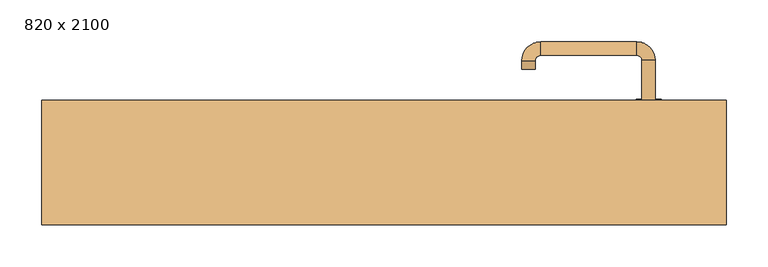
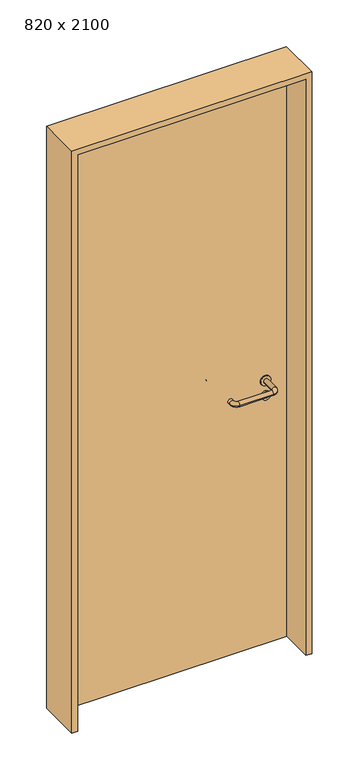
"""IFC4 building model written with IfcOpenShell, lengths in millimetres: door geometry, 820 x 2100."""

import ifcopenshell
import ifcopenshell.guid

model = None  # the IFC model being written
_history = None  # IfcOwnerHistory: only IFC2X3 demands one
_inside = {}  # id of a spatial element -> (the spatial element, [elements in it])
_under = {}  # id of a project, library or spatial element -> (it, [spatial elements below it])
_declared = {}  # id of a project -> (the project, [libraries it declares])
_typed = {}  # id of a type object -> (the type object, [elements of that type])
_made_of = {}  # id of a material, layer set ... -> (it, [elements and type objects made of it])


def new_model(schema):
    """Start an empty IFC model of exactly this schema.

    Asked for "IFC4X3", IfcOpenShell would pick the latest addendum, in which some entities
    have other attributes; the version numbers below select the first issue.
    IFC2X3 requires an IfcOwnerHistory on every rooted entity: one is made here for all.
    """
    global model, _history
    if schema == "IFC4X3":
        model = ifcopenshell.file(schema_version=(4, 3, 0, 0))
    else:
        model = ifcopenshell.file(schema=schema)
    _inside.clear()
    _under.clear()
    _declared.clear()
    _typed.clear()
    _made_of.clear()
    _history = None
    if model.schema == "IFC2X3":
        org = make("IfcOrganization", Name="unknown")
        user = make(
            "IfcPersonAndOrganization",
            ThePerson=make("IfcPerson", FamilyName="unknown"),
            TheOrganization=org,
        )
        app = make(
            "IfcApplication",
            ApplicationDeveloper=org,
            Version="unknown",
            ApplicationFullName="unknown",
            ApplicationIdentifier="unknown",
        )
        _history = make(
            "IfcOwnerHistory",
            OwningUser=user,
            OwningApplication=app,
            ChangeAction="ADDED",
            CreationDate=0,
        )
    return model


def make(cls, **values):
    """One entity of the class cls with the attributes given. An attribute that is None is left unset."""
    return model.create_entity(
        cls, **{name: value for name, value in values.items() if value is not None}
    )


def rooted(cls, **values):
    """An entity with a GlobalId (a new one), such as an element, a storey or a relation."""
    return make(cls, GlobalId=ifcopenshell.guid.new(), OwnerHistory=_history, **values)


def si_unit(unit_type, name, prefix=None):
    """IfcSIUnit, for example si_unit("LENGTHUNIT", "METRE", prefix="MILLI")."""
    return make("IfcSIUnit", UnitType=unit_type, Prefix=prefix, Name=name)


def assignment(units):
    """IfcUnitAssignment: the units of a project."""
    return None if units is None else make("IfcUnitAssignment", Units=units)


def point(xyz):
    """IfcCartesianPoint."""
    return None if xyz is None else make("IfcCartesianPoint", Coordinates=xyz)


def direction(xyz):
    """IfcDirection."""
    return None if xyz is None else make("IfcDirection", DirectionRatios=xyz)


def frame(location, z_axis=None, x_axis=None):
    """IfcAxis2Placement3D, a coordinate frame: its origin and axes. An axis left out is left unset."""
    return make(
        "IfcAxis2Placement3D",
        Location=point(location),
        Axis=direction(z_axis),
        RefDirection=direction(x_axis),
    )


def frame_2d(location, x_axis=None):
    """IfcAxis2Placement2D, a coordinate frame in the plane: its origin and x axis."""
    return make(
        "IfcAxis2Placement2D", Location=point(location), RefDirection=direction(x_axis)
    )


def origin():
    """The frame at (0, 0, 0) with its axes left unset."""
    return frame((0.0, 0.0, 0.0))


def origin_with_axes():
    """The frame at (0, 0, 0) with the z axis (0, 0, 1) and the x axis (1, 0, 0) written out."""
    return frame((0.0, 0.0, 0.0), z_axis=(0.0, 0.0, 1.0), x_axis=(1.0, 0.0, 0.0))


def place(relative_to, where):
    """IfcLocalPlacement: puts the frame where relative to a parent placement (None: the world)."""
    return make(
        "IfcLocalPlacement", PlacementRelTo=relative_to, RelativePlacement=where
    )


def context(
    kind, dimensions, precision=None, world=None, true_north=None, identifier=None
):
    """IfcGeometricRepresentationContext, for example the 3D "Model" context."""
    return make(
        "IfcGeometricRepresentationContext",
        ContextIdentifier=identifier,
        ContextType=kind,
        CoordinateSpaceDimension=dimensions,
        Precision=precision,
        WorldCoordinateSystem=world,
        TrueNorth=true_north,
    )


def project(units=None, contexts=None):
    """IfcProject with its units and contexts."""
    return rooted(
        "IfcProject",
        Name="project",
        RepresentationContexts=contexts,
        UnitsInContext=assignment(units),
    )


def spatial(cls, under=None, at=None, **own):
    """A site, building, storey or space (cls), placed at a placement, below another one or the project."""
    s = rooted(cls, ObjectPlacement=at, **own)
    if under is not None:
        _under.setdefault(under.id(), (under, []))[1].append(s)
    return s


def polyline(points):
    """IfcPolyline through the points."""
    return make("IfcPolyline", Points=[point(p) for p in points])


def circle_curve(where, radius):
    """IfcCircle in the frame where."""
    return make("IfcCircle", Position=where, Radius=radius)


def ellipse_curve(where, semi_axis1, semi_axis2):
    """IfcEllipse in the frame where."""
    return make(
        "IfcEllipse", Position=where, SemiAxis1=semi_axis1, SemiAxis2=semi_axis2
    )


def trimmed(basis, trim1, trim2, sense, master):
    """IfcTrimmedCurve: the piece of a basis curve between two trims."""
    return make(
        "IfcTrimmedCurve",
        BasisCurve=basis,
        Trim1=trim1,
        Trim2=trim2,
        SenseAgreement=sense,
        MasterRepresentation=master,
    )


def segment(curve, same_sense, transition):
    """IfcCompositeCurveSegment."""
    return make(
        "IfcCompositeCurveSegment",
        Transition=transition,
        SameSense=same_sense,
        ParentCurve=curve,
    )


def composite_curve(segments, self_intersect=None):
    """IfcCompositeCurve: segments joined end to end."""
    return make("IfcCompositeCurve", Segments=segments, SelfIntersect=self_intersect)


def outline(outer, holes=None, kind="AREA"):
    """IfcArbitraryClosedProfileDef: a profile drawn as a closed curve; with holes, ...WithVoids."""
    if holes is None:
        return make("IfcArbitraryClosedProfileDef", ProfileType=kind, OuterCurve=outer)
    return make(
        "IfcArbitraryProfileDefWithVoids",
        ProfileType=kind,
        OuterCurve=outer,
        InnerCurves=holes,
    )


def extrude(swept, where, along, depth):
    """IfcExtrudedAreaSolid: the profile swept, set in the frame where, extruded along a direction by depth."""
    return make(
        "IfcExtrudedAreaSolid",
        SweptArea=swept,
        Position=where,
        ExtrudedDirection=direction(along),
        Depth=depth,
    )


def shape(context_of_items, identifier, shape_type, items):
    """IfcShapeRepresentation: the items that make up one representation, for example the "Body"."""
    return make(
        "IfcShapeRepresentation",
        ContextOfItems=context_of_items,
        RepresentationIdentifier=identifier,
        RepresentationType=shape_type,
        Items=items,
    )


def source(mapping_origin, context_of_items, identifier, shape_type, items):
    """IfcRepresentationMap: a shape defined once, which mapped items show again and again."""
    return make(
        "IfcRepresentationMap",
        MappingOrigin=mapping_origin,
        MappedRepresentation=shape(context_of_items, identifier, shape_type, items),
    )


def transform(
    local_origin,
    x_axis=None,
    y_axis=None,
    z_axis=None,
    scale=None,
    scale2=None,
    scale3=None,
    uniform=True,
):
    """IfcCartesianTransformationOperator3D, or its non-uniform kind. x_axis, y_axis, z_axis: its Axis1, 2, 3."""
    if uniform:
        return make(
            "IfcCartesianTransformationOperator3D",
            Axis1=direction(x_axis),
            Axis2=direction(y_axis),
            LocalOrigin=point(local_origin),
            Scale=scale,
            Axis3=direction(z_axis),
        )
    return make(
        "IfcCartesianTransformationOperator3DnonUniform",
        Axis1=direction(x_axis),
        Axis2=direction(y_axis),
        LocalOrigin=point(local_origin),
        Scale=scale,
        Axis3=direction(z_axis),
        Scale2=scale2,
        Scale3=scale3,
    )


def mapped(mapping_source, mapping_target):
    """IfcMappedItem: shows the shape of a source again, moved by a transform."""
    return make(
        "IfcMappedItem", MappingSource=mapping_source, MappingTarget=mapping_target
    )


def made_of(thing, what):
    """Note that an element or type object is made of a material, layer set ...; save() writes the relation."""
    if what is not None:
        _made_of.setdefault(what.id(), (what, []))[1].append(thing)
    return thing


def element(
    cls,
    number,
    at=None,
    inside=None,
    cuts=None,
    type_object=None,
    material=None,
    context=None,
    identifier="Body",
    shape_type=None,
    held_by="IfcProductDefinitionShape",
    body=None,
    shapes=None,
    **own,
):
    """One element of the class cls, such as IfcWall. Its Tag is "e" and its number.

    at: its placement. inside: the storey or other place that contains it. cuts: it is an
    opening in that element (IfcRelVoidsElement). A single representation is given by context,
    identifier, shape_type and body (its items); several are given by shapes. held_by: the class
    of the entity that holds the representations. save() writes the other relations.
    """
    e = rooted(cls, Tag="e%d" % number, ObjectPlacement=at, **own)
    if body is not None:
        shapes = [shape(context, identifier, shape_type, body)]
    if shapes is not None:
        e.Representation = make(held_by, Representations=shapes)
    if inside is not None:
        _inside.setdefault(inside.id(), (inside, []))[1].append(e)
    if cuts is not None:
        rooted(
            "IfcRelVoidsElement", RelatingBuildingElement=cuts, RelatedOpeningElement=e
        )
    if type_object is not None:
        _typed.setdefault(type_object.id(), (type_object, []))[1].append(e)
    return made_of(e, material)


def aggregate(whole, parts):
    """IfcRelAggregates: a whole, such as a stair, and the parts it consists of."""
    return rooted("IfcRelAggregates", RelatingObject=whole, RelatedObjects=parts)


def save(model, path):
    """Write the relations noted so far, then the file.

    IfcRelAggregates (storeys below a building ...), IfcRelContainedInSpatialStructure (elements
    in a storey), IfcRelDefinesByType, IfcRelAssociatesMaterial and IfcRelDeclares: one each for
    every whole, place, type object, material and project.
    """
    for whole, parts in _under.values():
        aggregate(whole, parts)
    for where, things in _inside.values():
        rooted(
            "IfcRelContainedInSpatialStructure",
            RelatedElements=things,
            RelatingStructure=where,
        )
    for kind, things in _typed.values():
        rooted("IfcRelDefinesByType", RelatedObjects=things, RelatingType=kind)
    for what, things in _made_of.values():
        rooted("IfcRelAssociatesMaterial", RelatedObjects=things, RelatingMaterial=what)
    for by, libraries in _declared.values():
        rooted("IfcRelDeclares", RelatingContext=by, RelatedDefinitions=libraries)
    model.write(path)


def plane_surface(at):
    """IfcPlane: the flat surface through the origin of the frame at, square to its z axis."""
    return make("IfcPlane", Position=at)


def cylinder_surface(at, radius):
    """IfcCylindricalSurface: all points at the distance radius from the z axis of the frame at."""
    return make("IfcCylindricalSurface", Position=at, Radius=radius)


def revolved_surface(curve, axis_point, axis_direction):
    """IfcSurfaceOfRevolution: the curve turned about the line through axis_point along axis_direction."""
    return make(
        "IfcSurfaceOfRevolution",
        SweptCurve=make("IfcArbitraryOpenProfileDef", ProfileType="CURVE", Curve=curve),
        AxisPosition=make("IfcAxis1Placement", Location=point(axis_point), Axis=direction(axis_direction)),
    )


def advanced_brep(points, edges, surfaces, faces):
    """IfcAdvancedBrep: a solid bounded by faces that lie on surfaces and meet in shared edges.

    An edge is (start, end): straight between two places in points (the first is 0);
    or (start, end, curve); or (start, end, curve, False) where it runs against its curve.
    A face is (place in surfaces, loops), or (place, loops, False) where it looks against
    its surface's normal. A loop lists edges by number (the first is 1), with a minus sign
    where the edge is run from its end to its start. The first loop is the outer one.
    """
    corners = [point(p) for p in points]
    vertices = [make("IfcVertexPoint", VertexGeometry=c) for c in corners]
    made = []
    for start, end, *more in edges:
        made.append(
            make(
                "IfcEdgeCurve",
                EdgeStart=vertices[start],
                EdgeEnd=vertices[end],
                EdgeGeometry=more[0] if more else make("IfcPolyline", Points=[corners[start], corners[end]]),
                SameSense=more[1] if len(more) > 1 else True,
            )
        )
    hull = []
    for where, loops, *sense in faces:
        bounds = []
        for j, loop in enumerate(loops):
            ring = [make("IfcOrientedEdge", EdgeElement=made[abs(k) - 1], Orientation=k > 0) for k in loop]
            bounds.append(
                make(
                    "IfcFaceOuterBound" if j == 0 else "IfcFaceBound",
                    Bound=make("IfcEdgeLoop", EdgeList=ring),
                    Orientation=True,
                )
            )
        hull.append(make("IfcAdvancedFace", Bounds=bounds, FaceSurface=surfaces[where], SameSense=sense[0] if sense else True))
    return make("IfcAdvancedBrep", Outer=make("IfcClosedShell", CfsFaces=hull))


def door_820_x_2100_24ca90b3(model_context):
    return source(origin(), model_context, "Body", "SolidModel", [
        extrude(outline(composite_curve([segment(trimmed(circle_curve(frame_2d((897.3605726, 317.0)), 15.0), [point((897.3605726, 332.0))], [point((897.3605726, 302.0))], False, "CARTESIAN"), True, "CONTINUOUS"), segment(trimmed(circle_curve(frame_2d((897.3605726, 317.0)), 15.0), [point((897.3605726, 302.0))], [point((897.3605726, 332.0))], False, "CARTESIAN"), True, "CONTINUOUS")], self_intersect=False), holes=[composite_curve([segment(trimmed(circle_curve(frame_2d((892.5833211, 316.9398032)), 2.0), [point((892.5833211, 318.9398032))], [point((892.5833211, 314.9398032))], True, "CARTESIAN"), True, "CONTINUOUS"), segment(polyline([(892.5833211, 314.9398032), (902.5833211, 314.9398032)]), True, "CONTINUOUS"), segment(trimmed(circle_curve(frame_2d((902.5833211, 316.9398032)), 2.0), [point((902.5833211, 314.9398032))], [point((902.5833211, 318.9398032))], True, "CARTESIAN"), True, "CONTINUOUS"), segment(polyline([(902.5833211, 318.9398032), (892.5833211, 318.9398032)]), True, "CONTINUOUS")], self_intersect=False)]), frame((0.0, 33.65, 0.0), z_axis=(0.0, 1.0, 0.0), x_axis=(0.0, 0.0, 1.0)), (0.0, 0.0, 1.0), 6.35),
        extrude(outline(composite_curve([segment(trimmed(circle_curve(frame_2d((950.0, 317.0)), 17.526), [point((950.0, 334.526))], [point((950.0, 299.474))], False, "CARTESIAN"), True, "CONTINUOUS"), segment(trimmed(circle_curve(frame_2d((950.0, 317.0)), 17.526), [point((950.0, 299.474))], [point((950.0, 334.526))], False, "CARTESIAN"), True, "CONTINUOUS")], self_intersect=False)), frame((0.0, 36.825, 0.0), z_axis=(0.0, 1.0, 0.0), x_axis=(0.0, 0.0, 1.0)), (0.0, 0.0, 1.0), 3.175),
        advanced_brep(
        [(325.0, 40.0, 950.0), (309.0, 40.0, 950.0), (309.0, -13.0, 950.0), (325.0, -13.0, 950.0), (302.8578644, -19.1421356, 950.0), (302.8578644, -35.1421356, 950.0), (187.8578644, -19.1421356, 950.0), (187.8578644, -35.1421356, 950.0), (181.008622, -12.2928932, 950.0), (165.008622, -12.2928932, 950.0), (165.008622, -2.2928932, 950.0), (181.008622, -2.2928932, 950.0)],
        [
            (0, 1, circle_curve(frame((317.0, 40.0, 950.0), z_axis=(0.0, 1.0, 0.0), x_axis=(-1.0, 0.0, 0.0)), 8.0)),
            (1, 0, circle_curve(frame((317.0, 40.0, 950.0), z_axis=(0.0, 1.0, 0.0), x_axis=(-1.0, 0.0, 0.0)), 8.0)),
            (1, 2),
            (2, 3, circle_curve(frame((317.0, -13.0, 950.0), z_axis=(0.0, 1.0, 0.0), x_axis=(-1.0, 0.0, 0.0)), 8.0)),
            (3, 0),
            (3, 2, circle_curve(frame((317.0, -13.0, 950.0), z_axis=(0.0, 1.0, 0.0), x_axis=(-1.0, 0.0, 0.0)), 8.0)),
            (4, 5, circle_curve(frame((302.8578644, -27.1421356, 950.0), z_axis=(1.0, 0.0, 0.0), x_axis=(0.0, 1.0, 0.0)), 8.0)),
            (5, 3, circle_curve(frame((302.8578644, -13.0, 950.0), z_axis=(0.0, 0.0, 1.0), x_axis=(1.0, 0.0, 0.0)), 22.1421356)),
            (2, 4, circle_curve(frame((302.8578644, -13.0, 950.0), z_axis=(0.0, 0.0, -1.0), x_axis=(1.0, 0.0, 0.0)), 6.1421356)),
            (5, 4, circle_curve(frame((302.8578644, -27.1421356, 950.0), z_axis=(1.0, 0.0, 0.0), x_axis=(0.0, 1.0, 0.0)), 8.0)),
            (4, 6),
            (6, 7, circle_curve(frame((187.8578644, -27.1421356, 950.0), z_axis=(1.0, 0.0, 0.0), x_axis=(0.0, 1.0, 0.0)), 8.0)),
            (7, 5),
            (7, 6, circle_curve(frame((187.8578644, -27.1421356, 950.0), z_axis=(1.0, 0.0, 0.0), x_axis=(0.0, 1.0, 0.0)), 8.0)),
            (8, 9, circle_curve(frame((173.008622, -12.2928932, 950.0), z_axis=(0.0, -1.0, 0.0), x_axis=(1.0, 0.0, 0.0)), 8.0)),
            (9, 7, circle_curve(frame((187.8578644, -12.2928932, 950.0), z_axis=(0.0, 0.0, 1.0), x_axis=(0.0, -1.0, 0.0)), 22.8492424)),
            (6, 8, circle_curve(frame((187.8578644, -12.2928932, 950.0), z_axis=(0.0, 0.0, -1.0), x_axis=(0.0, -1.0, 0.0)), 6.8492424)),
            (9, 8, circle_curve(frame((173.008622, -12.2928932, 950.0), z_axis=(0.0, -1.0, 0.0), x_axis=(1.0, 0.0, 0.0)), 8.0)),
            (10, 11, circle_curve(frame((173.008622, -2.2928932, 950.0), z_axis=(0.0, 1.0, 0.0), x_axis=(1.0, 0.0, 0.0)), 8.0)),
            (11, 10, circle_curve(frame((173.008622, -2.2928932, 950.0), z_axis=(0.0, 1.0, 0.0), x_axis=(1.0, 0.0, 0.0)), 8.0)),
            (8, 11),
            (10, 9),
        ],
        [
            plane_surface(frame((317.0, 40.0, 0.0), z_axis=(0.0, 1.0, 0.0), x_axis=(0.0, 0.0, 1.0))),
            cylinder_surface(frame((317.0, 40.0, 950.0), z_axis=(0.0, 1.0, 0.0), x_axis=(-1.0, 0.0, 0.0)), 8.0),
            revolved_surface(trimmed(ellipse_curve(frame((317.0, -13.0, 950.0), z_axis=(0.0, -1.0, 0.0), x_axis=(-1.0, 0.0, 0.0)), 8.0, 8.0), [point((325.0, -13.0, 950.0))], [point((309.0, -13.0, 950.0))], True, "CARTESIAN"), (302.8578644, -13.0, 0.0), (0.0, 0.0, 1.0)),
            revolved_surface(trimmed(ellipse_curve(frame((317.0, -13.0, 950.0), z_axis=(0.0, -1.0, 0.0), x_axis=(-1.0, 0.0, 0.0)), 8.0, 8.0), [point((309.0, -13.0, 950.0))], [point((325.0, -13.0, 950.0))], True, "CARTESIAN"), (302.8578644, -13.0, 0.0), (0.0, 0.0, 1.0)),
            cylinder_surface(frame((302.8578644, -27.1421356, 950.0), z_axis=(1.0, 0.0, 0.0), x_axis=(0.0, 1.0, 0.0)), 8.0),
            revolved_surface(trimmed(ellipse_curve(frame((187.8578644, -27.1421356, 950.0), z_axis=(-1.0, 0.0, 0.0), x_axis=(0.0, 1.0, 0.0)), 8.0, 8.0), [point((187.8578644, -35.1421356, 950.0))], [point((187.8578644, -19.1421356, 950.0))], True, "CARTESIAN"), (187.8578644, -12.2928932, 0.0), (0.0, 0.0, 1.0)),
            revolved_surface(trimmed(ellipse_curve(frame((187.8578644, -27.1421356, 950.0), z_axis=(-1.0, 0.0, 0.0), x_axis=(0.0, 1.0, 0.0)), 8.0, 8.0), [point((187.8578644, -19.1421356, 950.0))], [point((187.8578644, -35.1421356, 950.0))], True, "CARTESIAN"), (187.8578644, -12.2928932, 0.0), (0.0, 0.0, 1.0)),
            plane_surface(frame((173.008622, -2.2928932, 0.0), z_axis=(0.0, 1.0, 0.0), x_axis=(0.0, 0.0, 1.0))),
            cylinder_surface(frame((173.008622, -12.2928932, 950.0), z_axis=(0.0, -1.0, 0.0), x_axis=(1.0, 0.0, 0.0)), 8.0),
        ],
        [
            (0, [[1, 2]]),
            (1, [[3, 4, 5, -2]]),
            (1, [[-5, 6, -3, -1]]),
            (2, [[7, 8, -4, 9]]),
            (3, [[10, -9, -6, -8]]),
            (4, [[11, 12, 13, -7]]),
            (4, [[-13, 14, -11, -10]]),
            (5, [[15, 16, -12, 17]]),
            (6, [[18, -17, -14, -16]]),
            (7, [[19, 20]]),
            (8, [[21, -19, 22, -15]]),
            (8, [[-22, -20, -21, -18]]),
        ],
    ),
        extrude(outline(composite_curve([segment(trimmed(circle_curve(frame_2d((0.0, -15.0)), 15.0), [point((0.0, -30.0))], [point((0.0, 0.0))], False, "CARTESIAN"), True, "CONTINUOUS"), segment(trimmed(circle_curve(frame_2d((0.0, -15.0)), 15.0), [point((0.0, 0.0))], [point((0.0, -30.0))], False, "CARTESIAN"), True, "CONTINUOUS")], self_intersect=False), holes=[composite_curve([segment(trimmed(circle_curve(frame_2d((4.7772515, -14.9398032)), 2.0), [point((4.7772515, -16.9398032))], [point((4.7772515, -12.9398032))], True, "CARTESIAN"), True, "CONTINUOUS"), segment(polyline([(4.7772515, -12.9398032), (-5.2227485, -12.9398032)]), True, "CONTINUOUS"), segment(trimmed(circle_curve(frame_2d((-5.2227485, -14.9398032)), 2.0), [point((-5.2227485, -12.9398032))], [point((-5.2227485, -16.9398032))], True, "CARTESIAN"), True, "CONTINUOUS"), segment(polyline([(-5.2227485, -16.9398032), (4.7772515, -16.9398032)]), True, "CONTINUOUS")], self_intersect=False)]), frame((302.0, 70.0, 897.3605726), z_axis=(1.8870575173328306e-12, 1.0, 0.0), x_axis=(0.0, 0.0, -1.0)), (0.0, 0.0, 1.0), 6.35),
        extrude(outline(composite_curve([segment(trimmed(circle_curve(frame_2d((0.0, -17.526)), 17.526), [point((0.0, -35.052))], [point((0.0, 0.0))], False, "CARTESIAN"), True, "CONTINUOUS"), segment(trimmed(circle_curve(frame_2d((0.0, -17.526)), 17.526), [point((0.0, 0.0))], [point((0.0, -35.052))], False, "CARTESIAN"), True, "CONTINUOUS")], self_intersect=False)), frame((299.474, 70.0, 950.0), z_axis=(1.8870575173328306e-12, 1.0, 0.0), x_axis=(0.0, 0.0, -1.0)), (0.0, 0.0, 1.0), 3.175),
        advanced_brep(
        [(325.0, 70.0, 950.0), (309.0, 70.0, 950.0), (325.0, 123.0, 950.0), (309.0, 123.0, 950.0), (302.8578644, 129.1421356, 950.0), (302.8578644, 145.1421356, 950.0), (187.8578644, 145.1421356, 950.0), (187.8578644, 129.1421356, 950.0), (181.008622, 122.2928932, 950.0), (165.008622, 122.2928932, 950.0), (165.008622, 112.2928932, 950.0), (181.008622, 112.2928932, 950.0)],
        [
            (0, 1, circle_curve(frame((317.0, 70.0, 950.0), z_axis=(-1.888672253512351e-12, -1.0, 0.0), x_axis=(-1.0, 1.888672253512351e-12, 0.0)), 8.0)),
            (1, 0, circle_curve(frame((317.0, 70.0, 950.0), z_axis=(-1.888672253512351e-12, -1.0, 0.0), x_axis=(-1.0, 1.888672253512351e-12, 0.0)), 8.0)),
            (0, 2),
            (2, 3, circle_curve(frame((317.0, 123.0, 950.0), z_axis=(-1.888672253512351e-12, -1.0, 0.0), x_axis=(-1.0, 1.888672253512351e-12, 0.0)), 8.0)),
            (3, 1),
            (3, 2, circle_curve(frame((317.0, 123.0, 950.0), z_axis=(-1.888672253512351e-12, -1.0, 0.0), x_axis=(-1.0, 1.888672253512351e-12, 0.0)), 8.0)),
            (4, 3, circle_curve(frame((302.8578644, 123.0, 950.0), z_axis=(0.0, 0.0, -1.0), x_axis=(1.0, -1.880717803715015e-12, 0.0)), 6.1421356)),
            (2, 5, circle_curve(frame((302.8578644, 123.0, 950.0), z_axis=(0.0, 0.0, 1.0), x_axis=(1.0, -1.880717803715015e-12, 0.0)), 22.1421356)),
            (5, 4, circle_curve(frame((302.8578644, 137.1421356, 950.0), z_axis=(1.0, -1.913702061528922e-12, 0.0), x_axis=(-1.913702061528922e-12, -1.0, 0.0)), 8.0)),
            (4, 5, circle_curve(frame((302.8578644, 137.1421356, 950.0), z_axis=(1.0, -1.913702061528922e-12, 0.0), x_axis=(-1.913702061528922e-12, -1.0, 0.0)), 8.0)),
            (5, 6),
            (6, 7, circle_curve(frame((187.8578644, 137.1421356, 950.0), z_axis=(1.0, -1.913719828541269e-12, 0.0), x_axis=(-1.913719828541269e-12, -1.0, 0.0)), 8.0)),
            (7, 4),
            (7, 6, circle_curve(frame((187.8578644, 137.1421356, 950.0), z_axis=(1.0, -1.913719828541269e-12, 0.0), x_axis=(-1.913719828541269e-12, -1.0, 0.0)), 8.0)),
            (8, 7, circle_curve(frame((187.8578644, 122.2928932, 950.0), z_axis=(0.0, 0.0, -1.0), x_axis=(1.9120873253494017e-12, 1.0, 0.0)), 6.8492424)),
            (6, 9, circle_curve(frame((187.8578644, 122.2928932, 950.0), z_axis=(0.0, 0.0, 1.0), x_axis=(1.9120873253494017e-12, 1.0, 0.0)), 22.8492424)),
            (9, 8, circle_curve(frame((173.008622, 122.2928932, 950.0), z_axis=(1.890448610351751e-12, 1.0, 0.0), x_axis=(1.0, -1.890448610351751e-12, 0.0)), 8.0)),
            (8, 9, circle_curve(frame((173.008622, 122.2928932, 950.0), z_axis=(1.8888942981172756e-12, 1.0, 0.0), x_axis=(1.0, -1.8888942981172756e-12, 0.0)), 8.0)),
            (10, 11, circle_curve(frame((173.008622, 112.2928932, 950.0), z_axis=(-1.8903642334018795e-12, -1.0, 0.0), x_axis=(1.0, -1.8903642334018795e-12, 0.0)), 8.0)),
            (11, 10, circle_curve(frame((173.008622, 112.2928932, 950.0), z_axis=(-1.8903642334018795e-12, -1.0, 0.0), x_axis=(1.0, -1.8903642334018795e-12, 0.0)), 8.0)),
            (9, 10),
            (11, 8),
        ],
        [
            plane_surface(frame((317.0, 70.0, 0.0), z_axis=(-1.8870575173328306e-12, -1.0, 0.0), x_axis=(0.0, 0.0, 1.0))),
            cylinder_surface(frame((317.0, 70.0, 950.0), z_axis=(-1.888672253512351e-12, -1.0, 0.0), x_axis=(-1.0, 1.888672253512351e-12, 0.0)), 8.0),
            revolved_surface(trimmed(ellipse_curve(frame((317.0, 123.0, 950.0), z_axis=(-1.8823325398945356e-12, -1.0, 0.0), x_axis=(-1.0, 1.8823325398945356e-12, 0.0)), 8.0, 8.0), [point((325.0, 123.0, 950.0))], [point((309.0, 123.0, 950.0))], True, "CARTESIAN"), (302.8578644, 123.0, 0.0), (0.0, 0.0, 1.0)),
            revolved_surface(trimmed(ellipse_curve(frame((317.0, 123.0, 950.0), z_axis=(-1.8823325398945356e-12, -1.0, 0.0), x_axis=(-1.0, 1.8823325398945356e-12, 0.0)), 8.0, 8.0), [point((309.0, 123.0, 950.0))], [point((325.0, 123.0, 950.0))], True, "CARTESIAN"), (302.8578644, 123.0, 0.0), (0.0, 0.0, 1.0)),
            cylinder_surface(frame((302.8578644, 137.1421356, 950.0), z_axis=(1.0, -1.913719828541269e-12, 0.0), x_axis=(-1.913719828541269e-12, -1.0, 0.0)), 8.0),
            revolved_surface(trimmed(ellipse_curve(frame((187.8578644, 137.1421356, 950.0), z_axis=(1.0, -1.913702061528922e-12, 0.0), x_axis=(-1.913702061528922e-12, -1.0, 0.0)), 8.0, 8.0), [point((187.8578644, 145.1421356, 950.0))], [point((187.8578644, 129.1421356, 950.0))], True, "CARTESIAN"), (187.8578644, 122.2928932, 0.0), (0.0, 0.0, 1.0)),
            revolved_surface(trimmed(ellipse_curve(frame((187.8578644, 137.1421356, 950.0), z_axis=(1.0, -1.913702061528922e-12, 0.0), x_axis=(-1.913702061528922e-12, -1.0, 0.0)), 8.0, 8.0), [point((187.8578644, 129.1421356, 950.0))], [point((187.8578644, 145.1421356, 950.0))], True, "CARTESIAN"), (187.8578644, 122.2928932, 0.0), (0.0, 0.0, 1.0)),
            plane_surface(frame((173.008622, 112.2928932, 0.0), z_axis=(-1.8887494972223595e-12, -1.0, 0.0), x_axis=(0.0, 0.0, 1.0))),
            cylinder_surface(frame((173.008622, 122.2928932, 950.0), z_axis=(1.8903642334018795e-12, 1.0, 0.0), x_axis=(1.0, -1.8903642334018795e-12, 0.0)), 8.0),
        ],
        [
            (0, [[1, 2]]),
            (1, [[-1, 3, 4, 5]]),
            (1, [[-2, -5, 6, -3]]),
            (2, [[7, -4, 8, 9]]),
            (3, [[-8, -6, -7, 10]]),
            (4, [[-9, 11, 12, 13]]),
            (4, [[-10, -13, 14, -11]]),
            (5, [[15, -12, 16, 17]]),
            (6, [[-16, -14, -15, 18]]),
            (7, [[19, 20]]),
            (8, [[-17, 21, -20, 22]]),
            (8, [[-18, -22, -19, -21]]),
        ],
    ),
        extrude(outline(polyline([(2080.0, 390.0), (0.0, 390.0), (0.0, 410.0), (2100.0, 410.0), (2100.0, -410.0), (0.0, -410.0), (0.0, -390.0), (2080.0, -390.0), (2080.0, 390.0)])), frame((0.0, -74.0, 0.0), z_axis=(0.0, 1.0, 0.0), x_axis=(0.0, 0.0, 1.0)), (0.0, 0.0, 1.0), 149.0),
        extrude(outline(polyline([(-390.0, 70.0), (390.0, 70.0), (390.0, 40.0), (-390.0, 40.0), (-390.0, 70.0)])), origin_with_axes(), (0.0, 0.0, 1.0), 2080.0),
    ])


if __name__ == "__main__":
    model = new_model("IFC4")
    model_context = context("Model", 3, world=origin())
    ifc_project = project(units=[si_unit("LENGTHUNIT", "METRE", prefix="MILLI")], contexts=[model_context])
    site = spatial("IfcSite", under=ifc_project)
    building = spatial("IfcBuilding", under=site)
    placement = place(None, origin())
    door_820_x_2100_shape = door_820_x_2100_24ca90b3(model_context)
    element("IfcDoor", 1, ObjectType="820 x 2100", at=placement, inside=building, context=model_context, shape_type="MappedRepresentation", body=[
        mapped(door_820_x_2100_shape, transform((0.0, 0.0, 0.0), x_axis=(1.0, 0.0, 0.0), y_axis=(0.0, 1.0, 0.0), z_axis=(0.0, 0.0, 1.0))),
    ])
    save(model, "model.ifc")
